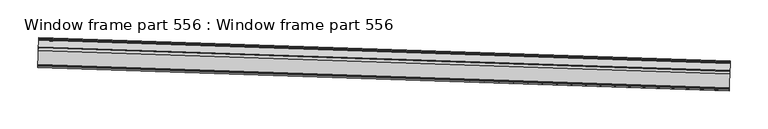
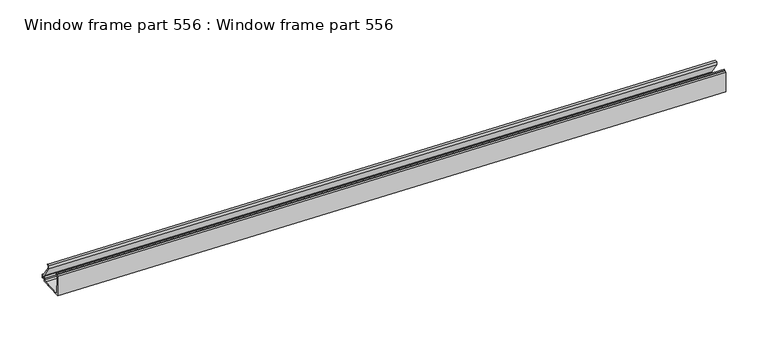
"""IFC4 building model written with IfcOpenShell, lengths in millimetres: proxy geometry, Window frame part 556 : Window frame part 556."""

from ifc_helpers import new_model, si_unit, frame, origin, place, context, project, spatial, polyline, outline, extrude, source, transform, mapped, element, save


def window_frame_part_556_window_frame_part_556_4488ad93(model_context):
    return source(origin(), model_context, "Body", "SweptSolid", [
        extrude(outline(polyline([(-33.8786881, 0.0), (0.0, 0.0), (0.1704501, -2.6035), (0.3564373, -4.8736928), (2.0498429, -6.5661074), (3.6124791, -6.1635193), (4.1823802, -3.5687), (4.1823802, -2.6035), (3.4457802, -2.2987), (5.1984545, -2.2986257), (5.1984545, -7.429373), (4.2328081, -7.8359), (3.1662531, -7.8359), (2.3001911, -8.3947), (-10.3895999, -26.5176), (-10.3895999, -28.9941), (-8.9182261, -28.9941), (-8.0782542, -28.5501395), (-7.0619028, -29.5658972), (-8.0781999, -30.5816), (-11.7865999, -30.5816), (-11.7865999, -26.0771277), (0.9302485, -7.915467), (0.8596557, -7.1017603), (-0.7571144, -5.4859354), (-1.40383, -3.3649799), (-3.1823498, -1.5875), (-32.3292361, -1.5875), (-32.6590498, -27.33675), (-31.4765167, -27.33675), (-30.1128122, -28.1242472), (-30.1128122, -29.6991443), (-30.7984998, -30.8864), (-32.4494791, -30.5587891), (-31.4969999, -28.92425), (-34.2528998, -28.92425), (-33.8786881, 0.0)])), frame((34353.3764561, -15505.5095524, 2836.2257079), z_axis=(-0.9994149479161554, 0.03420178185049052, 0.0), x_axis=(0.03420178185049052, 0.9994149479161554, 0.0)), (0.0, 0.0, 1.0), 914.4),
    ])


if __name__ == "__main__":
    model = new_model("IFC4")
    model_context = context("Model", 3, world=origin())
    ifc_project = project(units=[si_unit("LENGTHUNIT", "METRE", prefix="MILLI")], contexts=[model_context])
    site = spatial("IfcSite", under=ifc_project)
    building = spatial("IfcBuilding", under=site)
    placement = place(None, origin())
    window_frame_part_556_window_frame_part_556_shape = window_frame_part_556_window_frame_part_556_4488ad93(model_context)
    element("IfcBuildingElementProxy", 1, Name="Window frame part 556 : Window frame part 556", ObjectType="Window frame part 556 : Window frame part 556", at=placement, inside=building, context=model_context, shape_type="MappedRepresentation", body=[
        mapped(window_frame_part_556_window_frame_part_556_shape, transform((0.0, 0.0, 0.0), x_axis=(1.0, 0.0, 0.0), y_axis=(0.0, 1.0, 0.0), z_axis=(0.0, 0.0, 1.0))),
    ])
    save(model, "model.ifc")
